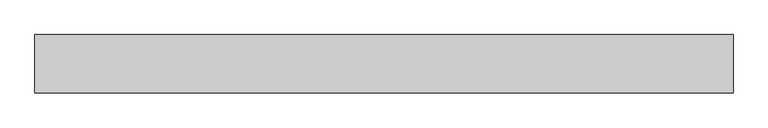
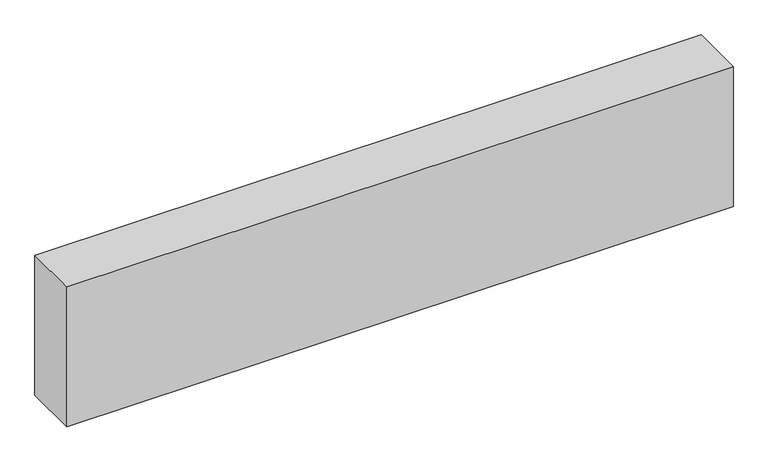
"""IFC4 building model written with IfcOpenShell, lengths in millimetres: proxy geometry."""

from ifc_helpers import new_model, si_unit, origin, origin_with_axes, place, context, project, spatial, polyline, outline, extrude, source, transform, mapped, element, save


def generic_models_2012559e(model_context):
    return source(origin(), model_context, "Body", "SweptSolid", [
        extrude(outline(polyline([(1828.8, 76.2), (1828.8, -76.2), (0.0, -76.2), (0.0, 76.2), (1828.8, 76.2)])), origin_with_axes(), (0.0, 0.0, 1.0), 406.4),
    ])


if __name__ == "__main__":
    model = new_model("IFC4")
    model_context = context("Model", 3, world=origin())
    ifc_project = project(units=[si_unit("LENGTHUNIT", "METRE", prefix="MILLI")], contexts=[model_context])
    site = spatial("IfcSite", under=ifc_project)
    building = spatial("IfcBuilding", under=site)
    placement = place(None, origin())
    generic_models_shape = generic_models_2012559e(model_context)
    element("IfcBuildingElementProxy", 1, Name="Generic Models", at=placement, inside=building, context=model_context, shape_type="MappedRepresentation", body=[
        mapped(generic_models_shape, transform((0.0, 0.0, 0.0), x_axis=(1.0, 0.0, 0.0), y_axis=(0.0, 1.0, 0.0), z_axis=(0.0, 0.0, 1.0))),
    ])
    save(model, "model.ifc")
